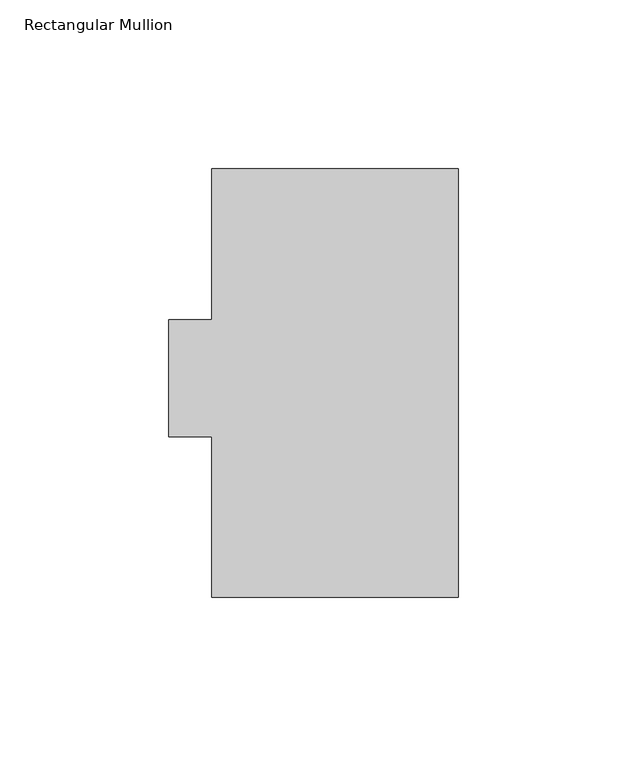
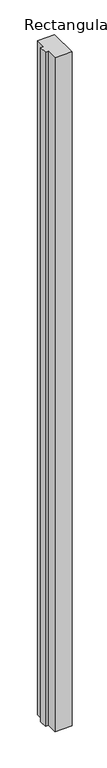
"""IFC4 building model written with IfcOpenShell, lengths in millimetres: member geometry, Rectangular Mullion."""

from ifc_helpers import new_model, si_unit, frame, origin, place, context, project, spatial, polyline, outline, extrude, source, transform, mapped, element, save


def rectangular_mullion_736eb4e6(model_context):
    return source(origin(), model_context, "Body", "SweptSolid", [
        extrude(outline(polyline([(-73.025, 127.0), (0.0, 127.0), (0.0, 0.0), (-73.025, 0.0), (-73.025, 47.625), (-85.725, 47.625), (-85.725, 82.296), (-73.025, 82.296), (-73.025, 127.0)])), frame((0.0, 0.0, -3048.0), z_axis=(0.0, 0.0, 1.0), x_axis=(1.0, 0.0, 0.0)), (0.0, 0.0, 1.0), 3048.0),
    ])


if __name__ == "__main__":
    model = new_model("IFC4")
    model_context = context("Model", 3, world=origin())
    ifc_project = project(units=[si_unit("LENGTHUNIT", "METRE", prefix="MILLI")], contexts=[model_context])
    site = spatial("IfcSite", under=ifc_project)
    building = spatial("IfcBuilding", under=site)
    placement = place(None, origin())
    rectangular_mullion_shape = rectangular_mullion_736eb4e6(model_context)
    element("IfcMember", 1, ObjectType="Rectangular Mullion", at=placement, inside=building, context=model_context, shape_type="MappedRepresentation", body=[
        mapped(rectangular_mullion_shape, transform((0.0, 0.0, 0.0), x_axis=(1.0, 0.0, 0.0), y_axis=(0.0, 1.0, 0.0), z_axis=(0.0, 0.0, 1.0))),
    ])
    save(model, "model.ifc")
